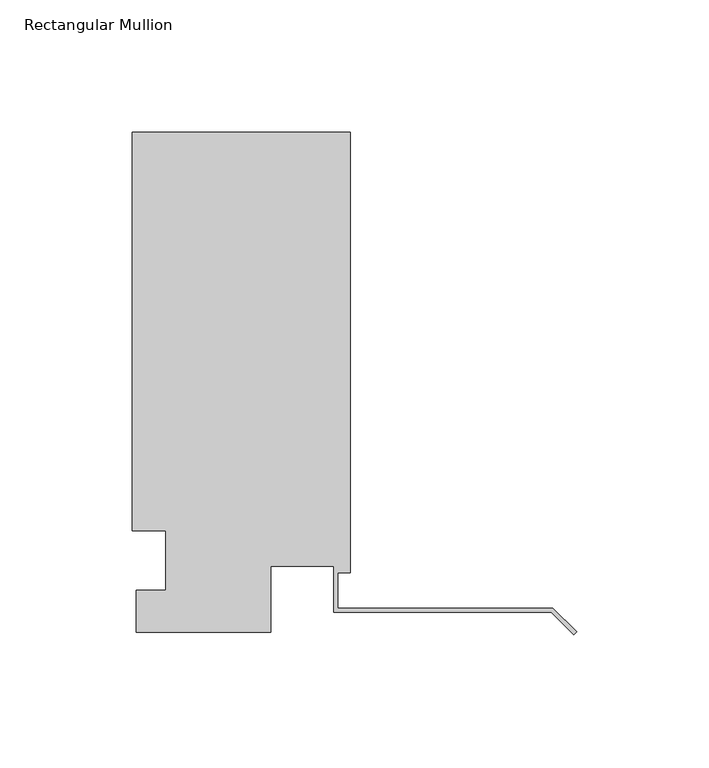
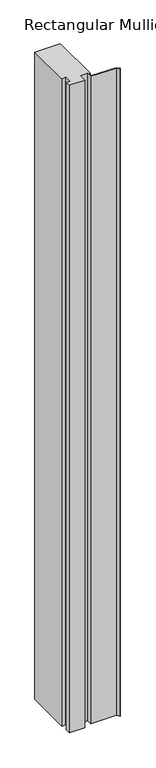
"""IFC4 building model written with IfcOpenShell, lengths in millimetres: member geometry, Rectangular Mullion."""

import ifcopenshell
import ifcopenshell.guid

model = None  # the IFC model being written
_history = None  # IfcOwnerHistory: only IFC2X3 demands one
_inside = {}  # id of a spatial element -> (the spatial element, [elements in it])
_under = {}  # id of a project, library or spatial element -> (it, [spatial elements below it])
_declared = {}  # id of a project -> (the project, [libraries it declares])
_typed = {}  # id of a type object -> (the type object, [elements of that type])
_made_of = {}  # id of a material, layer set ... -> (it, [elements and type objects made of it])


def new_model(schema):
    """Start an empty IFC model of exactly this schema.

    Asked for "IFC4X3", IfcOpenShell would pick the latest addendum, in which some entities
    have other attributes; the version numbers below select the first issue.
    IFC2X3 requires an IfcOwnerHistory on every rooted entity: one is made here for all.
    """
    global model, _history
    if schema == "IFC4X3":
        model = ifcopenshell.file(schema_version=(4, 3, 0, 0))
    else:
        model = ifcopenshell.file(schema=schema)
    _inside.clear()
    _under.clear()
    _declared.clear()
    _typed.clear()
    _made_of.clear()
    _history = None
    if model.schema == "IFC2X3":
        org = make("IfcOrganization", Name="unknown")
        user = make(
            "IfcPersonAndOrganization",
            ThePerson=make("IfcPerson", FamilyName="unknown"),
            TheOrganization=org,
        )
        app = make(
            "IfcApplication",
            ApplicationDeveloper=org,
            Version="unknown",
            ApplicationFullName="unknown",
            ApplicationIdentifier="unknown",
        )
        _history = make(
            "IfcOwnerHistory",
            OwningUser=user,
            OwningApplication=app,
            ChangeAction="ADDED",
            CreationDate=0,
        )
    return model


def make(cls, **values):
    """One entity of the class cls with the attributes given. An attribute that is None is left unset."""
    return model.create_entity(
        cls, **{name: value for name, value in values.items() if value is not None}
    )


def rooted(cls, **values):
    """An entity with a GlobalId (a new one), such as an element, a storey or a relation."""
    return make(cls, GlobalId=ifcopenshell.guid.new(), OwnerHistory=_history, **values)


def si_unit(unit_type, name, prefix=None):
    """IfcSIUnit, for example si_unit("LENGTHUNIT", "METRE", prefix="MILLI")."""
    return make("IfcSIUnit", UnitType=unit_type, Prefix=prefix, Name=name)


def assignment(units):
    """IfcUnitAssignment: the units of a project."""
    return None if units is None else make("IfcUnitAssignment", Units=units)


def point(xyz):
    """IfcCartesianPoint."""
    return None if xyz is None else make("IfcCartesianPoint", Coordinates=xyz)


def direction(xyz):
    """IfcDirection."""
    return None if xyz is None else make("IfcDirection", DirectionRatios=xyz)


def frame(location, z_axis=None, x_axis=None):
    """IfcAxis2Placement3D, a coordinate frame: its origin and axes. An axis left out is left unset."""
    return make(
        "IfcAxis2Placement3D",
        Location=point(location),
        Axis=direction(z_axis),
        RefDirection=direction(x_axis),
    )


def origin():
    """The frame at (0, 0, 0) with its axes left unset."""
    return frame((0.0, 0.0, 0.0))


def place(relative_to, where):
    """IfcLocalPlacement: puts the frame where relative to a parent placement (None: the world)."""
    return make(
        "IfcLocalPlacement", PlacementRelTo=relative_to, RelativePlacement=where
    )


def context(
    kind, dimensions, precision=None, world=None, true_north=None, identifier=None
):
    """IfcGeometricRepresentationContext, for example the 3D "Model" context."""
    return make(
        "IfcGeometricRepresentationContext",
        ContextIdentifier=identifier,
        ContextType=kind,
        CoordinateSpaceDimension=dimensions,
        Precision=precision,
        WorldCoordinateSystem=world,
        TrueNorth=true_north,
    )


def project(units=None, contexts=None):
    """IfcProject with its units and contexts."""
    return rooted(
        "IfcProject",
        Name="project",
        RepresentationContexts=contexts,
        UnitsInContext=assignment(units),
    )


def spatial(cls, under=None, at=None, **own):
    """A site, building, storey or space (cls), placed at a placement, below another one or the project."""
    s = rooted(cls, ObjectPlacement=at, **own)
    if under is not None:
        _under.setdefault(under.id(), (under, []))[1].append(s)
    return s


def polyline(points):
    """IfcPolyline through the points."""
    return make("IfcPolyline", Points=[point(p) for p in points])


def outline(outer, holes=None, kind="AREA"):
    """IfcArbitraryClosedProfileDef: a profile drawn as a closed curve; with holes, ...WithVoids."""
    if holes is None:
        return make("IfcArbitraryClosedProfileDef", ProfileType=kind, OuterCurve=outer)
    return make(
        "IfcArbitraryProfileDefWithVoids",
        ProfileType=kind,
        OuterCurve=outer,
        InnerCurves=holes,
    )


def extrude(swept, where, along, depth):
    """IfcExtrudedAreaSolid: the profile swept, set in the frame where, extruded along a direction by depth."""
    return make(
        "IfcExtrudedAreaSolid",
        SweptArea=swept,
        Position=where,
        ExtrudedDirection=direction(along),
        Depth=depth,
    )


def shape(context_of_items, identifier, shape_type, items):
    """IfcShapeRepresentation: the items that make up one representation, for example the "Body"."""
    return make(
        "IfcShapeRepresentation",
        ContextOfItems=context_of_items,
        RepresentationIdentifier=identifier,
        RepresentationType=shape_type,
        Items=items,
    )


def source(mapping_origin, context_of_items, identifier, shape_type, items):
    """IfcRepresentationMap: a shape defined once, which mapped items show again and again."""
    return make(
        "IfcRepresentationMap",
        MappingOrigin=mapping_origin,
        MappedRepresentation=shape(context_of_items, identifier, shape_type, items),
    )


def transform(
    local_origin,
    x_axis=None,
    y_axis=None,
    z_axis=None,
    scale=None,
    scale2=None,
    scale3=None,
    uniform=True,
):
    """IfcCartesianTransformationOperator3D, or its non-uniform kind. x_axis, y_axis, z_axis: its Axis1, 2, 3."""
    if uniform:
        return make(
            "IfcCartesianTransformationOperator3D",
            Axis1=direction(x_axis),
            Axis2=direction(y_axis),
            LocalOrigin=point(local_origin),
            Scale=scale,
            Axis3=direction(z_axis),
        )
    return make(
        "IfcCartesianTransformationOperator3DnonUniform",
        Axis1=direction(x_axis),
        Axis2=direction(y_axis),
        LocalOrigin=point(local_origin),
        Scale=scale,
        Axis3=direction(z_axis),
        Scale2=scale2,
        Scale3=scale3,
    )


def mapped(mapping_source, mapping_target):
    """IfcMappedItem: shows the shape of a source again, moved by a transform."""
    return make(
        "IfcMappedItem", MappingSource=mapping_source, MappingTarget=mapping_target
    )


def made_of(thing, what):
    """Note that an element or type object is made of a material, layer set ...; save() writes the relation."""
    if what is not None:
        _made_of.setdefault(what.id(), (what, []))[1].append(thing)
    return thing


def element(
    cls,
    number,
    at=None,
    inside=None,
    cuts=None,
    type_object=None,
    material=None,
    context=None,
    identifier="Body",
    shape_type=None,
    held_by="IfcProductDefinitionShape",
    body=None,
    shapes=None,
    **own,
):
    """One element of the class cls, such as IfcWall. Its Tag is "e" and its number.

    at: its placement. inside: the storey or other place that contains it. cuts: it is an
    opening in that element (IfcRelVoidsElement). A single representation is given by context,
    identifier, shape_type and body (its items); several are given by shapes. held_by: the class
    of the entity that holds the representations. save() writes the other relations.
    """
    e = rooted(cls, Tag="e%d" % number, ObjectPlacement=at, **own)
    if body is not None:
        shapes = [shape(context, identifier, shape_type, body)]
    if shapes is not None:
        e.Representation = make(held_by, Representations=shapes)
    if inside is not None:
        _inside.setdefault(inside.id(), (inside, []))[1].append(e)
    if cuts is not None:
        rooted(
            "IfcRelVoidsElement", RelatingBuildingElement=cuts, RelatedOpeningElement=e
        )
    if type_object is not None:
        _typed.setdefault(type_object.id(), (type_object, []))[1].append(e)
    return made_of(e, material)


def aggregate(whole, parts):
    """IfcRelAggregates: a whole, such as a stair, and the parts it consists of."""
    return rooted("IfcRelAggregates", RelatingObject=whole, RelatedObjects=parts)


def save(model, path):
    """Write the relations noted so far, then the file.

    IfcRelAggregates (storeys below a building ...), IfcRelContainedInSpatialStructure (elements
    in a storey), IfcRelDefinesByType, IfcRelAssociatesMaterial and IfcRelDeclares: one each for
    every whole, place, type object, material and project.
    """
    for whole, parts in _under.values():
        aggregate(whole, parts)
    for where, things in _inside.values():
        rooted(
            "IfcRelContainedInSpatialStructure",
            RelatedElements=things,
            RelatingStructure=where,
        )
    for kind, things in _typed.values():
        rooted("IfcRelDefinesByType", RelatedObjects=things, RelatingType=kind)
    for what, things in _made_of.values():
        rooted("IfcRelAssociatesMaterial", RelatedObjects=things, RelatingMaterial=what)
    for by, libraries in _declared.values():
        rooted("IfcRelDeclares", RelatingContext=by, RelatedDefinitions=libraries)
    model.write(path)


def rectangular_mullion_c0cc4657(model_context):
    return source(origin(), model_context, "Body", "SweptSolid", [
        extrude(outline(polyline([(-166.5396311, -0.3532188), (-166.5396311, 15.5217812), (-155.4144311, 15.5217812), (-155.4144311, 38.0007813), (-168.1144311, 38.0007813), (-168.1144311, 188.8132813), (-85.5771311, 188.8132813), (-85.5771311, 22.1257812), (-90.3396311, 22.1257812), (-90.3396311, 8.7383736), (-8.9802561, 8.7383736), (0.0, -0.2418825), (-1.122532, -1.3644146), (-9.6378202, 7.1508736), (-91.9271311, 7.1508736), (-91.9271311, 24.5133812), (-115.7396311, 24.5133812), (-115.7396311, -0.3532188), (-166.5396311, -0.3532188)])), frame((0.0, 0.0, -2218.6544096), z_axis=(0.0, 0.0, 1.0), x_axis=(1.0, 0.0, 0.0)), (0.0, 0.0, 1.0), 2218.6544096),
    ])


if __name__ == "__main__":
    model = new_model("IFC4")
    model_context = context("Model", 3, world=origin())
    ifc_project = project(units=[si_unit("LENGTHUNIT", "METRE", prefix="MILLI")], contexts=[model_context])
    site = spatial("IfcSite", under=ifc_project)
    building = spatial("IfcBuilding", under=site)
    placement = place(None, origin())
    rectangular_mullion_shape = rectangular_mullion_c0cc4657(model_context)
    element("IfcMember", 1, ObjectType="Rectangular Mullion", at=placement, inside=building, context=model_context, shape_type="MappedRepresentation", body=[
        mapped(rectangular_mullion_shape, transform((0.0, 0.0, 0.0), x_axis=(1.0, 0.0, 0.0), y_axis=(0.0, 1.0, 0.0), z_axis=(0.0, 0.0, 1.0))),
    ])
    save(model, "model.ifc")
